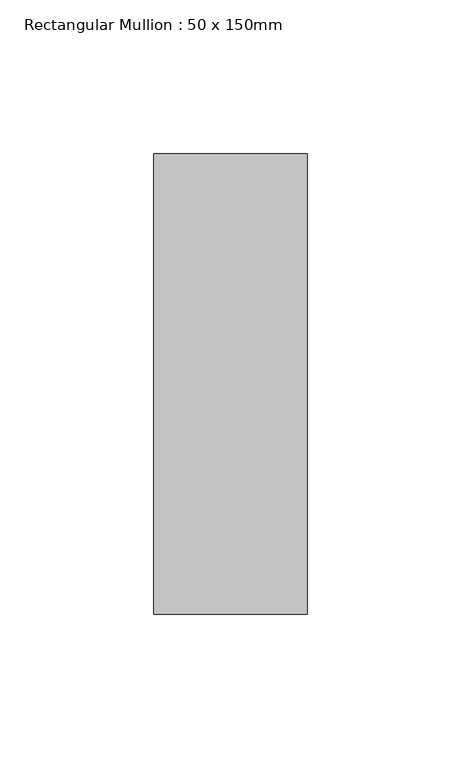
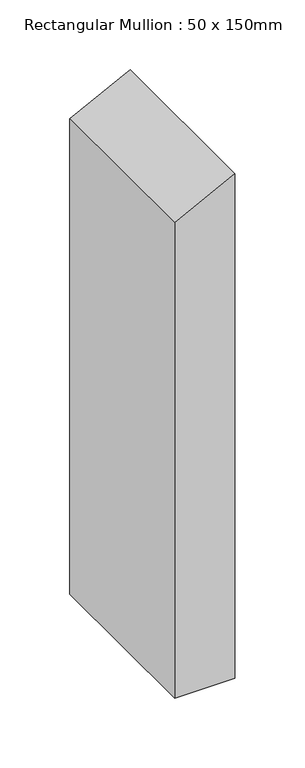
"""IFC4 building model written with IfcOpenShell, lengths in millimetres: member geometry, Rectangular Mullion : 50 x 150mm."""

from ifc_helpers import new_model, si_unit, frame, origin, place, context, project, spatial, polyline, outline, extrude, source, transform, mapped, element, save


def rectangular_mullion_50_x_150mm_70b285b4(model_context):
    return source(origin(), model_context, "Body", "SweptSolid", [
        extrude(outline(polyline([(0.0, 0.0), (-25.2962551, -50.0), (-440.9144424, -50.0), (-440.9144424, 0.0), (0.0, 0.0)])), frame((0.0, -75.0, 0.0), z_axis=(0.0, 1.0, 0.0), x_axis=(0.0, 0.0, 1.0)), (0.0, 0.0, 1.0), 150.0),
    ])


if __name__ == "__main__":
    model = new_model("IFC4")
    model_context = context("Model", 3, world=origin())
    ifc_project = project(units=[si_unit("LENGTHUNIT", "METRE", prefix="MILLI")], contexts=[model_context])
    site = spatial("IfcSite", under=ifc_project)
    building = spatial("IfcBuilding", under=site)
    placement = place(None, origin())
    rectangular_mullion_50_x_150mm_shape = rectangular_mullion_50_x_150mm_70b285b4(model_context)
    element("IfcMember", 1, ObjectType="Rectangular Mullion : 50 x 150mm", at=placement, inside=building, context=model_context, shape_type="MappedRepresentation", body=[
        mapped(rectangular_mullion_50_x_150mm_shape, transform((0.0, 0.0, 0.0), x_axis=(1.0, 0.0, 0.0), y_axis=(0.0, 1.0, 0.0), z_axis=(0.0, 0.0, 1.0))),
    ])
    save(model, "model.ifc")
